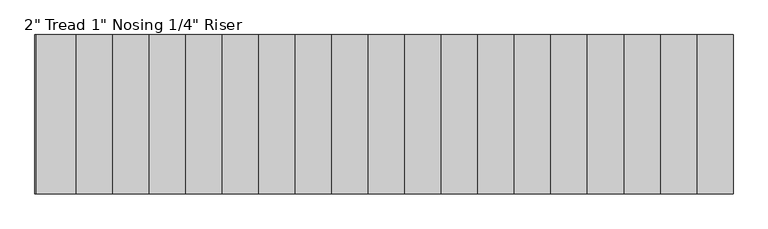
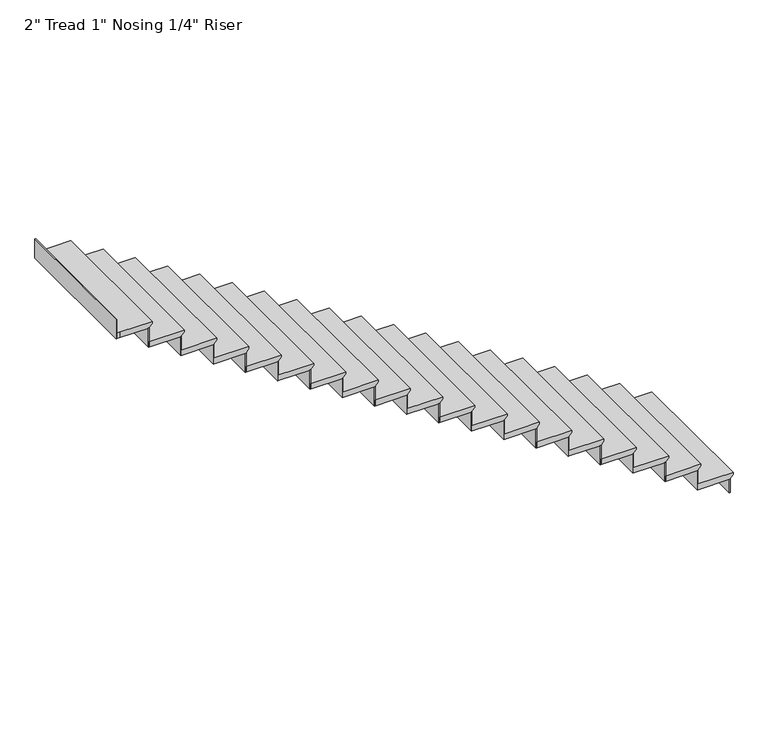
"""IFC4 building model written with IfcOpenShell, lengths in millimetres: stair flight geometry."""

from ifc_helpers import new_model, si_unit, origin, place, context, project, spatial, faceted_brep, source, transform, mapped, element, save


def stair_flight_0e71a8f2(model_context):
    return source(origin(), model_context, "Body", "Brep", [
        faceted_brep([(11185.9980401, -14912.0995493, -13103.147561), (11185.9980401, -14912.0995493, -13084.097561), (11185.9980401, -16131.2995493, -13084.097561), (11185.9980401, -16131.2995493, -13103.147561), (11160.5980401, -14912.0995493, -13128.547561), (11160.5980401, -16131.2995493, -13128.547561), (10881.1980401, -14912.0995493, -13084.097561), (10881.1980401, -16131.2995493, -13084.097561), (11160.5980401, -16131.2995493, -13134.897561), (10881.1980401, -16131.2995493, -13134.897561), (10881.1980401, -14912.0995493, -13134.897561), (11160.5980401, -14912.0995493, -13134.897561)], [[[0, 1, 2, 3]], [[4, 0, 3, 5]], [[2, 1, 6, 7]], [[8, 9, 10, 11]], [[2, 7, 9, 8, 5, 3]], [[8, 11, 4, 5]], [[6, 1, 0, 4, 11, 10]], [[7, 6, 10, 9]]]),
        faceted_brep([(11160.5980401, -14912.0995493, -13134.897561), (11160.5980401, -14912.0995493, -13258.8), (11154.2480401, -14912.0995493, -13258.8), (11154.2480401, -14912.0995493, -13134.897561), (11160.5980401, -16131.2995493, -13134.897561), (11154.2480401, -16131.2995493, -13134.897561), (11154.2480401, -16131.2995493, -13258.8), (11160.5980401, -16131.2995493, -13258.8)], [[[0, 1, 2, 3]], [[4, 5, 6, 7]], [[1, 0, 4, 7]], [[2, 1, 7, 6]], [[3, 2, 6, 5]], [[0, 3, 5, 4]]]),
        faceted_brep([(10881.1980401, -14912.0995493, -12960.195122), (10881.1980401, -14912.0995493, -13134.897561), (10874.8480401, -14912.0995493, -13134.897561), (10874.8480401, -14912.0995493, -12960.195122), (10881.1980401, -16131.2995493, -12960.195122), (10874.8480401, -16131.2995493, -12960.195122), (10874.8480401, -16131.2995493, -13134.897561), (10881.1980401, -16131.2995493, -13134.897561)], [[[0, 1, 2, 3]], [[4, 5, 6, 7]], [[1, 0, 4, 7]], [[2, 1, 7, 6]], [[3, 2, 6, 5]], [[0, 3, 5, 4]]]),
        faceted_brep([(10906.5980401, -16131.2995493, -12909.395122), (10906.5980401, -14912.0995493, -12909.395122), (10601.7980401, -14912.0995493, -12909.395122), (10601.7980401, -16131.2995493, -12909.395122), (10881.1980401, -16131.2995493, -12960.195122), (10601.7980401, -16131.2995493, -12960.195122), (10601.7980401, -14912.0995493, -12960.195122), (10881.1980401, -14912.0995493, -12960.195122), (10881.1980401, -16131.2995493, -12953.845122), (10906.5980401, -16131.2995493, -12928.445122), (10881.1980401, -14912.0995493, -12953.845122), (10906.5980401, -14912.0995493, -12928.445122)], [[[0, 1, 2, 3]], [[4, 5, 6, 7]], [[0, 3, 5, 4, 8, 9]], [[4, 7, 10, 8]], [[2, 1, 11, 10, 7, 6]], [[3, 2, 6, 5]], [[11, 1, 0, 9]], [[10, 11, 9, 8]]]),
        faceted_brep([(10601.7980401, -14912.0995493, -12785.4926829), (10601.7980401, -14912.0995493, -12960.195122), (10595.4480401, -14912.0995493, -12960.195122), (10595.4480401, -14912.0995493, -12785.4926829), (10601.7980401, -16131.2995493, -12785.4926829), (10595.4480401, -16131.2995493, -12785.4926829), (10595.4480401, -16131.2995493, -12960.195122), (10601.7980401, -16131.2995493, -12960.195122)], [[[0, 1, 2, 3]], [[4, 5, 6, 7]], [[1, 0, 4, 7]], [[2, 1, 7, 6]], [[3, 2, 6, 5]], [[0, 3, 5, 4]]]),
        faceted_brep([(10627.1980401, -16131.2995493, -12734.6926829), (10627.1980401, -14912.0995493, -12734.6926829), (10322.3980401, -14912.0995493, -12734.6926829), (10322.3980401, -16131.2995493, -12734.6926829), (10601.7980401, -16131.2995493, -12785.4926829), (10322.3980401, -16131.2995493, -12785.4926829), (10322.3980401, -14912.0995493, -12785.4926829), (10601.7980401, -14912.0995493, -12785.4926829), (10601.7980401, -16131.2995493, -12779.1426829), (10627.1980401, -16131.2995493, -12753.7426829), (10601.7980401, -14912.0995493, -12779.1426829), (10627.1980401, -14912.0995493, -12753.7426829)], [[[0, 1, 2, 3]], [[4, 5, 6, 7]], [[0, 3, 5, 4, 8, 9]], [[4, 7, 10, 8]], [[2, 1, 11, 10, 7, 6]], [[3, 2, 6, 5]], [[11, 1, 0, 9]], [[10, 11, 9, 8]]]),
        faceted_brep([(10322.3980401, -14912.0995493, -12610.7902439), (10322.3980401, -14912.0995493, -12785.4926829), (10316.0480401, -14912.0995493, -12785.4926829), (10316.0480401, -14912.0995493, -12610.7902439), (10322.3980401, -16131.2995493, -12610.7902439), (10316.0480401, -16131.2995493, -12610.7902439), (10316.0480401, -16131.2995493, -12785.4926829), (10322.3980401, -16131.2995493, -12785.4926829)], [[[0, 1, 2, 3]], [[4, 5, 6, 7]], [[1, 0, 4, 7]], [[2, 1, 7, 6]], [[3, 2, 6, 5]], [[0, 3, 5, 4]]]),
        faceted_brep([(10347.7980401, -16131.2995493, -12559.9902439), (10347.7980401, -14912.0995493, -12559.9902439), (10042.9980401, -14912.0995493, -12559.9902439), (10042.9980401, -16131.2995493, -12559.9902439), (10322.3980401, -16131.2995493, -12610.7902439), (10042.9980401, -16131.2995493, -12610.7902439), (10042.9980401, -14912.0995493, -12610.7902439), (10322.3980401, -14912.0995493, -12610.7902439), (10322.3980401, -16131.2995493, -12604.4402439), (10347.7980401, -16131.2995493, -12579.0402439), (10322.3980401, -14912.0995493, -12604.4402439), (10347.7980401, -14912.0995493, -12579.0402439)], [[[0, 1, 2, 3]], [[4, 5, 6, 7]], [[0, 3, 5, 4, 8, 9]], [[4, 7, 10, 8]], [[2, 1, 11, 10, 7, 6]], [[3, 2, 6, 5]], [[11, 1, 0, 9]], [[10, 11, 9, 8]]]),
        faceted_brep([(10042.9980401, -14912.0995493, -12436.0878049), (10042.9980401, -14912.0995493, -12610.7902439), (10036.6480401, -14912.0995493, -12610.7902439), (10036.6480401, -14912.0995493, -12436.0878049), (10042.9980401, -16131.2995493, -12436.0878049), (10036.6480401, -16131.2995493, -12436.0878049), (10036.6480401, -16131.2995493, -12610.7902439), (10042.9980401, -16131.2995493, -12610.7902439)], [[[0, 1, 2, 3]], [[4, 5, 6, 7]], [[1, 0, 4, 7]], [[2, 1, 7, 6]], [[3, 2, 6, 5]], [[0, 3, 5, 4]]]),
        faceted_brep([(10068.3980401, -16131.2995493, -12385.2878049), (10068.3980401, -14912.0995493, -12385.2878049), (9763.5980401, -14912.0995493, -12385.2878049), (9763.5980401, -16131.2995493, -12385.2878049), (10042.9980401, -16131.2995493, -12436.0878049), (9763.5980401, -16131.2995493, -12436.0878049), (9763.5980401, -14912.0995493, -12436.0878049), (10042.9980401, -14912.0995493, -12436.0878049), (10042.9980401, -16131.2995493, -12429.7378049), (10068.3980401, -16131.2995493, -12404.3378049), (10042.9980401, -14912.0995493, -12429.7378049), (10068.3980401, -14912.0995493, -12404.3378049)], [[[0, 1, 2, 3]], [[4, 5, 6, 7]], [[0, 3, 5, 4, 8, 9]], [[4, 7, 10, 8]], [[2, 1, 11, 10, 7, 6]], [[3, 2, 6, 5]], [[11, 1, 0, 9]], [[10, 11, 9, 8]]]),
        faceted_brep([(9763.5980401, -14912.0995493, -12261.3853659), (9763.5980401, -14912.0995493, -12436.0878049), (9757.2480401, -14912.0995493, -12436.0878049), (9757.2480401, -14912.0995493, -12261.3853659), (9763.5980401, -16131.2995493, -12261.3853659), (9757.2480401, -16131.2995493, -12261.3853659), (9757.2480401, -16131.2995493, -12436.0878049), (9763.5980401, -16131.2995493, -12436.0878049)], [[[0, 1, 2, 3]], [[4, 5, 6, 7]], [[1, 0, 4, 7]], [[2, 1, 7, 6]], [[3, 2, 6, 5]], [[0, 3, 5, 4]]]),
        faceted_brep([(9788.9980401, -16131.2995493, -12210.5853659), (9788.9980401, -14912.0995493, -12210.5853659), (9484.1980401, -14912.0995493, -12210.5853659), (9484.1980401, -16131.2995493, -12210.5853659), (9763.5980401, -16131.2995493, -12261.3853659), (9484.1980401, -16131.2995493, -12261.3853659), (9484.1980401, -14912.0995493, -12261.3853659), (9763.5980401, -14912.0995493, -12261.3853659), (9763.5980401, -16131.2995493, -12255.0353659), (9788.9980401, -16131.2995493, -12229.6353659), (9763.5980401, -14912.0995493, -12255.0353659), (9788.9980401, -14912.0995493, -12229.6353659)], [[[0, 1, 2, 3]], [[4, 5, 6, 7]], [[0, 3, 5, 4, 8, 9]], [[4, 7, 10, 8]], [[2, 1, 11, 10, 7, 6]], [[3, 2, 6, 5]], [[11, 1, 0, 9]], [[10, 11, 9, 8]]]),
        faceted_brep([(9484.1980401, -14912.0995493, -12086.6829268), (9484.1980401, -14912.0995493, -12261.3853659), (9477.8480401, -14912.0995493, -12261.3853659), (9477.8480401, -14912.0995493, -12086.6829268), (9484.1980401, -16131.2995493, -12086.6829268), (9477.8480401, -16131.2995493, -12086.6829268), (9477.8480401, -16131.2995493, -12261.3853659), (9484.1980401, -16131.2995493, -12261.3853659)], [[[0, 1, 2, 3]], [[4, 5, 6, 7]], [[1, 0, 4, 7]], [[2, 1, 7, 6]], [[3, 2, 6, 5]], [[0, 3, 5, 4]]]),
        faceted_brep([(9509.5980401, -16131.2995493, -12035.8829268), (9509.5980401, -14912.0995493, -12035.8829268), (9204.7980401, -14912.0995493, -12035.8829268), (9204.7980401, -16131.2995493, -12035.8829268), (9484.1980401, -16131.2995493, -12086.6829268), (9204.7980401, -16131.2995493, -12086.6829268), (9204.7980401, -14912.0995493, -12086.6829268), (9484.1980401, -14912.0995493, -12086.6829268), (9484.1980401, -16131.2995493, -12080.3329268), (9509.5980401, -16131.2995493, -12054.9329268), (9484.1980401, -14912.0995493, -12080.3329268), (9509.5980401, -14912.0995493, -12054.9329268)], [[[0, 1, 2, 3]], [[4, 5, 6, 7]], [[0, 3, 5, 4, 8, 9]], [[4, 7, 10, 8]], [[2, 1, 11, 10, 7, 6]], [[3, 2, 6, 5]], [[11, 1, 0, 9]], [[10, 11, 9, 8]]]),
        faceted_brep([(9204.7980401, -14912.0995493, -11911.9804878), (9204.7980401, -14912.0995493, -12086.6829268), (9198.4480401, -14912.0995493, -12086.6829268), (9198.4480401, -14912.0995493, -11911.9804878), (9204.7980401, -16131.2995493, -11911.9804878), (9198.4480401, -16131.2995493, -11911.9804878), (9198.4480401, -16131.2995493, -12086.6829268), (9204.7980401, -16131.2995493, -12086.6829268)], [[[0, 1, 2, 3]], [[4, 5, 6, 7]], [[1, 0, 4, 7]], [[2, 1, 7, 6]], [[3, 2, 6, 5]], [[0, 3, 5, 4]]]),
        faceted_brep([(9230.1980401, -16131.2995493, -11861.1804878), (9230.1980401, -14912.0995493, -11861.1804878), (8925.3980401, -14912.0995493, -11861.1804878), (8925.3980401, -16131.2995493, -11861.1804878), (9204.7980401, -16131.2995493, -11911.9804878), (8925.3980401, -16131.2995493, -11911.9804878), (8925.3980401, -14912.0995493, -11911.9804878), (9204.7980401, -14912.0995493, -11911.9804878), (9204.7980401, -16131.2995493, -11905.6304878), (9230.1980401, -16131.2995493, -11880.2304878), (9204.7980401, -14912.0995493, -11905.6304878), (9230.1980401, -14912.0995493, -11880.2304878)], [[[0, 1, 2, 3]], [[4, 5, 6, 7]], [[0, 3, 5, 4, 8, 9]], [[4, 7, 10, 8]], [[2, 1, 11, 10, 7, 6]], [[3, 2, 6, 5]], [[11, 1, 0, 9]], [[10, 11, 9, 8]]]),
        faceted_brep([(8925.3980401, -14912.0995493, -11737.2780488), (8925.3980401, -14912.0995493, -11911.9804878), (8919.0480401, -14912.0995493, -11911.9804878), (8919.0480401, -14912.0995493, -11737.2780488), (8925.3980401, -16131.2995493, -11737.2780488), (8919.0480401, -16131.2995493, -11737.2780488), (8919.0480401, -16131.2995493, -11911.9804878), (8925.3980401, -16131.2995493, -11911.9804878)], [[[0, 1, 2, 3]], [[4, 5, 6, 7]], [[1, 0, 4, 7]], [[2, 1, 7, 6]], [[3, 2, 6, 5]], [[0, 3, 5, 4]]]),
        faceted_brep([(8950.7980401, -16131.2995493, -11686.4780488), (8950.7980401, -14912.0995493, -11686.4780488), (8645.9980401, -14912.0995493, -11686.4780488), (8645.9980401, -16131.2995493, -11686.4780488), (8925.3980401, -16131.2995493, -11737.2780488), (8645.9980401, -16131.2995493, -11737.2780488), (8645.9980401, -14912.0995493, -11737.2780488), (8925.3980401, -14912.0995493, -11737.2780488), (8925.3980401, -16131.2995493, -11730.9280488), (8950.7980401, -16131.2995493, -11705.5280488), (8925.3980401, -14912.0995493, -11730.9280488), (8950.7980401, -14912.0995493, -11705.5280488)], [[[0, 1, 2, 3]], [[4, 5, 6, 7]], [[0, 3, 5, 4, 8, 9]], [[4, 7, 10, 8]], [[2, 1, 11, 10, 7, 6]], [[3, 2, 6, 5]], [[11, 1, 0, 9]], [[10, 11, 9, 8]]]),
        faceted_brep([(8645.9980401, -14912.0995493, -11562.5756098), (8645.9980401, -14912.0995493, -11737.2780488), (8639.6480401, -14912.0995493, -11737.2780488), (8639.6480401, -14912.0995493, -11562.5756098), (8645.9980401, -16131.2995493, -11562.5756098), (8639.6480401, -16131.2995493, -11562.5756098), (8639.6480401, -16131.2995493, -11737.2780488), (8645.9980401, -16131.2995493, -11737.2780488)], [[[0, 1, 2, 3]], [[4, 5, 6, 7]], [[1, 0, 4, 7]], [[2, 1, 7, 6]], [[3, 2, 6, 5]], [[0, 3, 5, 4]]]),
        faceted_brep([(8671.3980401, -16131.2995493, -11511.7756098), (8671.3980401, -14912.0995493, -11511.7756098), (8366.5980401, -14912.0995493, -11511.7756098), (8366.5980401, -16131.2995493, -11511.7756098), (8645.9980401, -16131.2995493, -11562.5756098), (8366.5980401, -16131.2995493, -11562.5756098), (8366.5980401, -14912.0995493, -11562.5756098), (8645.9980401, -14912.0995493, -11562.5756098), (8645.9980401, -16131.2995493, -11556.2256098), (8671.3980401, -16131.2995493, -11530.8256098), (8645.9980401, -14912.0995493, -11556.2256098), (8671.3980401, -14912.0995493, -11530.8256098)], [[[0, 1, 2, 3]], [[4, 5, 6, 7]], [[0, 3, 5, 4, 8, 9]], [[4, 7, 10, 8]], [[2, 1, 11, 10, 7, 6]], [[3, 2, 6, 5]], [[11, 1, 0, 9]], [[10, 11, 9, 8]]]),
        faceted_brep([(8366.5980401, -14912.0995493, -11387.8731707), (8366.5980401, -14912.0995493, -11562.5756098), (8360.2480401, -14912.0995493, -11562.5756098), (8360.2480401, -14912.0995493, -11387.8731707), (8366.5980401, -16131.2995493, -11387.8731707), (8360.2480401, -16131.2995493, -11387.8731707), (8360.2480401, -16131.2995493, -11562.5756098), (8366.5980401, -16131.2995493, -11562.5756098)], [[[0, 1, 2, 3]], [[4, 5, 6, 7]], [[1, 0, 4, 7]], [[2, 1, 7, 6]], [[3, 2, 6, 5]], [[0, 3, 5, 4]]]),
        faceted_brep([(8391.9980401, -16131.2995493, -11337.0731707), (8391.9980401, -14912.0995493, -11337.0731707), (8087.1980401, -14912.0995493, -11337.0731707), (8087.1980401, -16131.2995493, -11337.0731707), (8366.5980401, -16131.2995493, -11387.8731707), (8087.1980401, -16131.2995493, -11387.8731707), (8087.1980401, -14912.0995493, -11387.8731707), (8366.5980401, -14912.0995493, -11387.8731707), (8366.5980401, -16131.2995493, -11381.5231707), (8391.9980401, -16131.2995493, -11356.1231707), (8366.5980401, -14912.0995493, -11381.5231707), (8391.9980401, -14912.0995493, -11356.1231707)], [[[0, 1, 2, 3]], [[4, 5, 6, 7]], [[0, 3, 5, 4, 8, 9]], [[4, 7, 10, 8]], [[2, 1, 11, 10, 7, 6]], [[3, 2, 6, 5]], [[11, 1, 0, 9]], [[10, 11, 9, 8]]]),
        faceted_brep([(8087.1980401, -14912.0995493, -11213.1707317), (8087.1980401, -14912.0995493, -11387.8731707), (8080.8480401, -14912.0995493, -11387.8731707), (8080.8480401, -14912.0995493, -11213.1707317), (8087.1980401, -16131.2995493, -11213.1707317), (8080.8480401, -16131.2995493, -11213.1707317), (8080.8480401, -16131.2995493, -11387.8731707), (8087.1980401, -16131.2995493, -11387.8731707)], [[[0, 1, 2, 3]], [[4, 5, 6, 7]], [[1, 0, 4, 7]], [[2, 1, 7, 6]], [[3, 2, 6, 5]], [[0, 3, 5, 4]]]),
        faceted_brep([(8112.5980401, -16131.2995493, -11162.3707317), (8112.5980401, -14912.0995493, -11162.3707317), (7807.7980401, -14912.0995493, -11162.3707317), (7807.7980401, -16131.2995493, -11162.3707317), (8087.1980401, -16131.2995493, -11213.1707317), (7807.7980401, -16131.2995493, -11213.1707317), (7807.7980401, -14912.0995493, -11213.1707317), (8087.1980401, -14912.0995493, -11213.1707317), (8087.1980401, -16131.2995493, -11206.8207317), (8112.5980401, -16131.2995493, -11181.4207317), (8087.1980401, -14912.0995493, -11206.8207317), (8112.5980401, -14912.0995493, -11181.4207317)], [[[0, 1, 2, 3]], [[4, 5, 6, 7]], [[0, 3, 5, 4, 8, 9]], [[4, 7, 10, 8]], [[2, 1, 11, 10, 7, 6]], [[3, 2, 6, 5]], [[11, 1, 0, 9]], [[10, 11, 9, 8]]]),
        faceted_brep([(7807.7980401, -14912.0995493, -11038.4682927), (7807.7980401, -14912.0995493, -11213.1707317), (7801.4480401, -14912.0995493, -11213.1707317), (7801.4480401, -14912.0995493, -11038.4682927), (7807.7980401, -16131.2995493, -11038.4682927), (7801.4480401, -16131.2995493, -11038.4682927), (7801.4480401, -16131.2995493, -11213.1707317), (7807.7980401, -16131.2995493, -11213.1707317)], [[[0, 1, 2, 3]], [[4, 5, 6, 7]], [[1, 0, 4, 7]], [[2, 1, 7, 6]], [[3, 2, 6, 5]], [[0, 3, 5, 4]]]),
        faceted_brep([(7833.1980401, -16131.2995493, -10987.6682927), (7833.1980401, -14912.0995493, -10987.6682927), (7528.3980401, -14912.0995493, -10987.6682927), (7528.3980401, -16131.2995493, -10987.6682927), (7807.7980401, -16131.2995493, -11038.4682927), (7528.3980401, -16131.2995493, -11038.4682927), (7528.3980401, -14912.0995493, -11038.4682927), (7807.7980401, -14912.0995493, -11038.4682927), (7807.7980401, -16131.2995493, -11032.1182927), (7833.1980401, -16131.2995493, -11006.7182927), (7807.7980401, -14912.0995493, -11032.1182927), (7833.1980401, -14912.0995493, -11006.7182927)], [[[0, 1, 2, 3]], [[4, 5, 6, 7]], [[0, 3, 5, 4, 8, 9]], [[4, 7, 10, 8]], [[2, 1, 11, 10, 7, 6]], [[3, 2, 6, 5]], [[11, 1, 0, 9]], [[10, 11, 9, 8]]]),
        faceted_brep([(7528.3980401, -14912.0995493, -10863.7658537), (7528.3980401, -14912.0995493, -11038.4682927), (7522.0480401, -14912.0995493, -11038.4682927), (7522.0480401, -14912.0995493, -10863.7658537), (7528.3980401, -16131.2995493, -10863.7658537), (7522.0480401, -16131.2995493, -10863.7658537), (7522.0480401, -16131.2995493, -11038.4682927), (7528.3980401, -16131.2995493, -11038.4682927)], [[[0, 1, 2, 3]], [[4, 5, 6, 7]], [[1, 0, 4, 7]], [[2, 1, 7, 6]], [[3, 2, 6, 5]], [[0, 3, 5, 4]]]),
        faceted_brep([(7553.7980401, -16131.2995493, -10812.9658537), (7553.7980401, -14912.0995493, -10812.9658537), (7248.9980401, -14912.0995493, -10812.9658537), (7248.9980401, -16131.2995493, -10812.9658537), (7528.3980401, -16131.2995493, -10863.7658537), (7248.9980401, -16131.2995493, -10863.7658537), (7248.9980401, -14912.0995493, -10863.7658537), (7528.3980401, -14912.0995493, -10863.7658537), (7528.3980401, -16131.2995493, -10857.4158537), (7553.7980401, -16131.2995493, -10832.0158537), (7528.3980401, -14912.0995493, -10857.4158537), (7553.7980401, -14912.0995493, -10832.0158537)], [[[0, 1, 2, 3]], [[4, 5, 6, 7]], [[0, 3, 5, 4, 8, 9]], [[4, 7, 10, 8]], [[2, 1, 11, 10, 7, 6]], [[3, 2, 6, 5]], [[11, 1, 0, 9]], [[10, 11, 9, 8]]]),
        faceted_brep([(7248.9980401, -14912.0995493, -10689.0634146), (7248.9980401, -14912.0995493, -10863.7658537), (7242.6480401, -14912.0995493, -10863.7658537), (7242.6480401, -14912.0995493, -10689.0634146), (7248.9980401, -16131.2995493, -10689.0634146), (7242.6480401, -16131.2995493, -10689.0634146), (7242.6480401, -16131.2995493, -10863.7658537), (7248.9980401, -16131.2995493, -10863.7658537)], [[[0, 1, 2, 3]], [[4, 5, 6, 7]], [[1, 0, 4, 7]], [[2, 1, 7, 6]], [[3, 2, 6, 5]], [[0, 3, 5, 4]]]),
        faceted_brep([(7274.3980401, -16131.2995493, -10638.2634146), (7274.3980401, -14912.0995493, -10638.2634146), (6969.5980401, -14912.0995493, -10638.2634146), (6969.5980401, -16131.2995493, -10638.2634146), (7248.9980401, -16131.2995493, -10689.0634146), (6969.5980401, -16131.2995493, -10689.0634146), (6969.5980401, -14912.0995493, -10689.0634146), (7248.9980401, -14912.0995493, -10689.0634146), (7248.9980401, -16131.2995493, -10682.7134146), (7274.3980401, -16131.2995493, -10657.3134146), (7248.9980401, -14912.0995493, -10682.7134146), (7274.3980401, -14912.0995493, -10657.3134146)], [[[0, 1, 2, 3]], [[4, 5, 6, 7]], [[0, 3, 5, 4, 8, 9]], [[4, 7, 10, 8]], [[2, 1, 11, 10, 7, 6]], [[3, 2, 6, 5]], [[11, 1, 0, 9]], [[10, 11, 9, 8]]]),
        faceted_brep([(6969.5980401, -14912.0995493, -10514.3609756), (6969.5980401, -14912.0995493, -10689.0634146), (6963.2480401, -14912.0995493, -10689.0634146), (6963.2480401, -14912.0995493, -10514.3609756), (6969.5980401, -16131.2995493, -10514.3609756), (6963.2480401, -16131.2995493, -10514.3609756), (6963.2480401, -16131.2995493, -10689.0634146), (6969.5980401, -16131.2995493, -10689.0634146)], [[[0, 1, 2, 3]], [[4, 5, 6, 7]], [[1, 0, 4, 7]], [[2, 1, 7, 6]], [[3, 2, 6, 5]], [[0, 3, 5, 4]]]),
        faceted_brep([(6994.9980401, -16131.2995493, -10463.5609756), (6994.9980401, -14912.0995493, -10463.5609756), (6690.1980401, -14912.0995493, -10463.5609756), (6690.1980401, -16131.2995493, -10463.5609756), (6969.5980401, -16131.2995493, -10514.3609756), (6690.1980401, -16131.2995493, -10514.3609756), (6690.1980401, -14912.0995493, -10514.3609756), (6969.5980401, -14912.0995493, -10514.3609756), (6969.5980401, -16131.2995493, -10508.0109756), (6994.9980401, -16131.2995493, -10482.6109756), (6969.5980401, -14912.0995493, -10508.0109756), (6994.9980401, -14912.0995493, -10482.6109756)], [[[0, 1, 2, 3]], [[4, 5, 6, 7]], [[0, 3, 5, 4, 8, 9]], [[4, 7, 10, 8]], [[2, 1, 11, 10, 7, 6]], [[3, 2, 6, 5]], [[11, 1, 0, 9]], [[10, 11, 9, 8]]]),
        faceted_brep([(6690.1980401, -14912.0995493, -10339.6585366), (6690.1980401, -14912.0995493, -10514.3609756), (6683.8480401, -14912.0995493, -10514.3609756), (6683.8480401, -14912.0995493, -10339.6585366), (6690.1980401, -16131.2995493, -10339.6585366), (6683.8480401, -16131.2995493, -10339.6585366), (6683.8480401, -16131.2995493, -10514.3609756), (6690.1980401, -16131.2995493, -10514.3609756)], [[[0, 1, 2, 3]], [[4, 5, 6, 7]], [[1, 0, 4, 7]], [[2, 1, 7, 6]], [[3, 2, 6, 5]], [[0, 3, 5, 4]]]),
        faceted_brep([(6715.5980401, -16131.2995493, -10288.8585366), (6715.5980401, -14912.0995493, -10288.8585366), (6410.7980401, -14912.0995493, -10288.8585366), (6410.7980401, -16131.2995493, -10288.8585366), (6690.1980401, -16131.2995493, -10339.6585366), (6410.7980401, -16131.2995493, -10339.6585366), (6410.7980401, -14912.0995493, -10339.6585366), (6690.1980401, -14912.0995493, -10339.6585366), (6690.1980401, -16131.2995493, -10333.3085366), (6715.5980401, -16131.2995493, -10307.9085366), (6690.1980401, -14912.0995493, -10333.3085366), (6715.5980401, -14912.0995493, -10307.9085366)], [[[0, 1, 2, 3]], [[4, 5, 6, 7]], [[0, 3, 5, 4, 8, 9]], [[4, 7, 10, 8]], [[2, 1, 11, 10, 7, 6]], [[3, 2, 6, 5]], [[11, 1, 0, 9]], [[10, 11, 9, 8]]]),
        faceted_brep([(6410.7980401, -14912.0995493, -10164.9560976), (6410.7980401, -14912.0995493, -10339.6585366), (6404.4480401, -14912.0995493, -10339.6585366), (6404.4480401, -14912.0995493, -10164.9560976), (6410.7980401, -16131.2995493, -10164.9560976), (6404.4480401, -16131.2995493, -10164.9560976), (6404.4480401, -16131.2995493, -10339.6585366), (6410.7980401, -16131.2995493, -10339.6585366)], [[[0, 1, 2, 3]], [[4, 5, 6, 7]], [[1, 0, 4, 7]], [[2, 1, 7, 6]], [[3, 2, 6, 5]], [[0, 3, 5, 4]]]),
        faceted_brep([(6436.1980401, -16131.2995493, -10114.1560976), (6436.1980401, -14912.0995493, -10114.1560976), (6131.3980401, -14912.0995493, -10114.1560976), (6131.3980401, -16131.2995493, -10114.1560976), (6410.7980401, -16131.2995493, -10164.9560976), (6131.3980401, -16131.2995493, -10164.9560976), (6131.3980401, -14912.0995493, -10164.9560976), (6410.7980401, -14912.0995493, -10164.9560976), (6410.7980401, -16131.2995493, -10158.6060976), (6436.1980401, -16131.2995493, -10133.2060976), (6410.7980401, -14912.0995493, -10158.6060976), (6436.1980401, -14912.0995493, -10133.2060976)], [[[0, 1, 2, 3]], [[4, 5, 6, 7]], [[0, 3, 5, 4, 8, 9]], [[4, 7, 10, 8]], [[2, 1, 11, 10, 7, 6]], [[3, 2, 6, 5]], [[11, 1, 0, 9]], [[10, 11, 9, 8]]]),
        faceted_brep([(5851.9980401, -14912.0995493, -9815.5512195), (5851.9980401, -14912.0995493, -9990.2536585), (5845.6480401, -14912.0995493, -9990.2536585), (5845.6480401, -14912.0995493, -9815.5512195), (5851.9980401, -16131.2995493, -9815.5512195), (5845.6480401, -16131.2995493, -9815.5512195), (5845.6480401, -16131.2995493, -9990.2536585), (5851.9980401, -16131.2995493, -9990.2536585)], [[[0, 1, 2, 3]], [[4, 5, 6, 7]], [[1, 0, 4, 7]], [[2, 1, 7, 6]], [[3, 2, 6, 5]], [[0, 3, 5, 4]]]),
        faceted_brep([(6131.3980401, -14912.0995493, -9990.2536585), (6131.3980401, -14912.0995493, -10164.9560976), (6125.0480401, -14912.0995493, -10164.9560976), (6125.0480401, -14912.0995493, -9990.2536585), (6131.3980401, -16131.2995493, -9990.2536585), (6125.0480401, -16131.2995493, -9990.2536585), (6125.0480401, -16131.2995493, -10164.9560976), (6131.3980401, -16131.2995493, -10164.9560976)], [[[0, 1, 2, 3]], [[4, 5, 6, 7]], [[1, 0, 4, 7]], [[2, 1, 7, 6]], [[3, 2, 6, 5]], [[0, 3, 5, 4]]]),
        faceted_brep([(5851.9980401, -16131.2995493, -9939.4536585), (5877.3980401, -16131.2995493, -9939.4536585), (6156.7980401, -16131.2995493, -9939.4536585), (6156.7980401, -14912.0995493, -9939.4536585), (5877.3980401, -14912.0995493, -9939.4536585), (5851.9980401, -14912.0995493, -9939.4536585), (5877.3980401, -16131.2995493, -9990.2536585), (5851.9980401, -16131.2995493, -9990.2536585), (5851.9980401, -14912.0995493, -9990.2536585), (5877.3980401, -14912.0995493, -9990.2536585), (6131.3980401, -14912.0995493, -9990.2536585), (6131.3980401, -16131.2995493, -9990.2536585), (6131.3980401, -16131.2995493, -9983.9036585), (6156.7980401, -16131.2995493, -9958.5036585), (6131.3980401, -14912.0995493, -9983.9036585), (6156.7980401, -14912.0995493, -9958.5036585)], [[[0, 1, 2, 3, 4, 5]], [[6, 7, 8, 9, 10, 11]], [[1, 0, 7, 6]], [[2, 1, 6, 11, 12, 13]], [[11, 10, 14, 12]], [[4, 3, 15, 14, 10, 9]], [[0, 5, 8, 7]], [[15, 3, 2, 13]], [[14, 15, 13, 12]], [[5, 4, 9, 8]]]),
    ])


if __name__ == "__main__":
    model = new_model("IFC4")
    model_context = context("Model", 3, world=origin())
    ifc_project = project(units=[si_unit("LENGTHUNIT", "METRE", prefix="MILLI")], contexts=[model_context])
    site = spatial("IfcSite", under=ifc_project)
    building = spatial("IfcBuilding", under=site)
    placement = place(None, origin())
    stair_flight_shape = stair_flight_0e71a8f2(model_context)
    element("IfcStairFlight", 1, ObjectType="2\" Tread 1\" Nosing 1/4\" Riser", at=placement, inside=building, context=model_context, shape_type="MappedRepresentation", body=[
        mapped(stair_flight_shape, transform((0.0, 0.0, 0.0), x_axis=(1.0, 0.0, 0.0), y_axis=(0.0, 1.0, 0.0), z_axis=(0.0, 0.0, 1.0))),
    ])
    save(model, "model.ifc")
